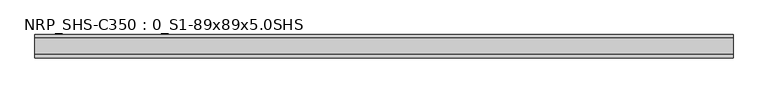
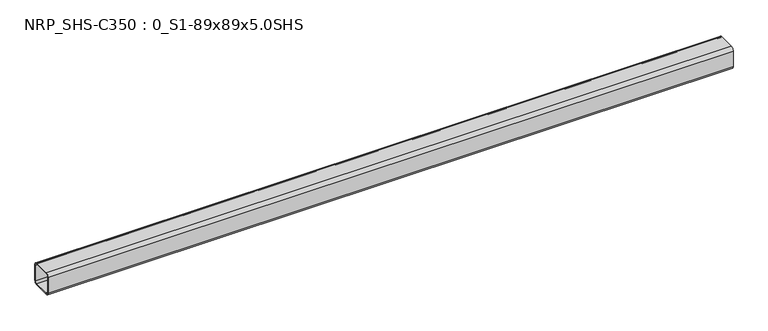
"""IFC4 building model written with IfcOpenShell, lengths in millimetres: beam geometry, NRP_SHS-C350 : 0_S1-89x89x5.0SHS."""

from ifc_helpers import new_model, si_unit, point, frame, frame_2d, origin, place, context, project, spatial, polyline, circle_curve, trimmed, segment, composite_curve, outline, extrude, source, transform, mapped, element, save


def nrp_shs_c350_0_s1_89x89x5_0shs_d3237d2d(model_context):
    return source(origin(), model_context, "Body", "SweptSolid", [
        extrude(outline(composite_curve([segment(trimmed(circle_curve(frame_2d((-32.0, 32.0)), 12.5), [point((-44.5, 32.0))], [point((-32.0, 44.5))], False, "CARTESIAN"), True, "CONTINUOUS"), segment(polyline([(-32.0, 44.5), (32.0, 44.5)]), True, "CONTINUOUS"), segment(trimmed(circle_curve(frame_2d((32.0, 32.0)), 12.5), [point((32.0, 44.5))], [point((44.5, 32.0))], False, "CARTESIAN"), True, "CONTINUOUS"), segment(polyline([(44.5, 32.0), (44.5, -32.0)]), True, "CONTINUOUS"), segment(trimmed(circle_curve(frame_2d((32.0, -32.0)), 12.5), [point((44.5, -32.0))], [point((32.0, -44.5))], False, "CARTESIAN"), True, "CONTINUOUS"), segment(polyline([(32.0, -44.5), (-32.0, -44.5)]), True, "CONTINUOUS"), segment(trimmed(circle_curve(frame_2d((-32.0, -32.0)), 12.5), [point((-32.0, -44.5))], [point((-44.5, -32.0))], False, "CARTESIAN"), True, "CONTINUOUS"), segment(polyline([(-44.5, -32.0), (-44.5, 32.0)]), True, "CONTINUOUS")], self_intersect=False), holes=[composite_curve([segment(polyline([(32.0, 39.5), (-32.0, 39.5)]), True, "CONTINUOUS"), segment(trimmed(circle_curve(frame_2d((-32.0, 32.0)), 7.5), [point((-32.0, 39.5))], [point((-39.5, 32.0))], True, "CARTESIAN"), True, "CONTINUOUS"), segment(polyline([(-39.5, 32.0), (-39.5, -32.0)]), True, "CONTINUOUS"), segment(trimmed(circle_curve(frame_2d((-32.0, -32.0)), 7.5), [point((-39.5, -32.0))], [point((-32.0, -39.5))], True, "CARTESIAN"), True, "CONTINUOUS"), segment(polyline([(-32.0, -39.5), (32.0, -39.5)]), True, "CONTINUOUS"), segment(trimmed(circle_curve(frame_2d((32.0, -32.0)), 7.5), [point((32.0, -39.5))], [point((39.5, -32.0))], True, "CARTESIAN"), True, "CONTINUOUS"), segment(polyline([(39.5, -32.0), (39.5, 32.0)]), True, "CONTINUOUS"), segment(trimmed(circle_curve(frame_2d((32.0, 32.0)), 7.5), [point((39.5, 32.0))], [point((32.0, 39.5))], True, "CARTESIAN"), True, "CONTINUOUS")], self_intersect=False)]), frame((-1275.5, 0.0, 0.0), z_axis=(1.0, 0.0, 0.0), x_axis=(0.0, 1.0, 0.0)), (0.0, 0.0, 1.0), 2660.0),
    ])


if __name__ == "__main__":
    model = new_model("IFC4")
    model_context = context("Model", 3, world=origin())
    ifc_project = project(units=[si_unit("LENGTHUNIT", "METRE", prefix="MILLI")], contexts=[model_context])
    site = spatial("IfcSite", under=ifc_project)
    building = spatial("IfcBuilding", under=site)
    placement = place(None, origin())
    nrp_shs_c350_0_s1_89x89x5_0shs_shape = nrp_shs_c350_0_s1_89x89x5_0shs_d3237d2d(model_context)
    element("IfcBeam", 1, ObjectType="NRP_SHS-C350 : 0_S1-89x89x5.0SHS", at=placement, inside=building, context=model_context, shape_type="MappedRepresentation", body=[
        mapped(nrp_shs_c350_0_s1_89x89x5_0shs_shape, transform((0.0, 0.0, 0.0), x_axis=(1.0, 0.0, 0.0), y_axis=(0.0, 1.0, 0.0), z_axis=(0.0, 0.0, 1.0))),
    ])
    save(model, "model.ifc")
